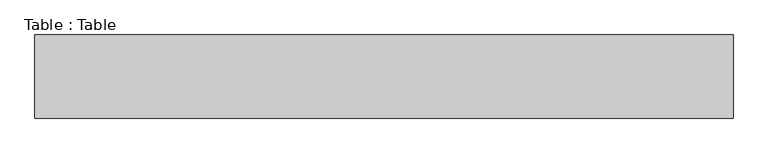
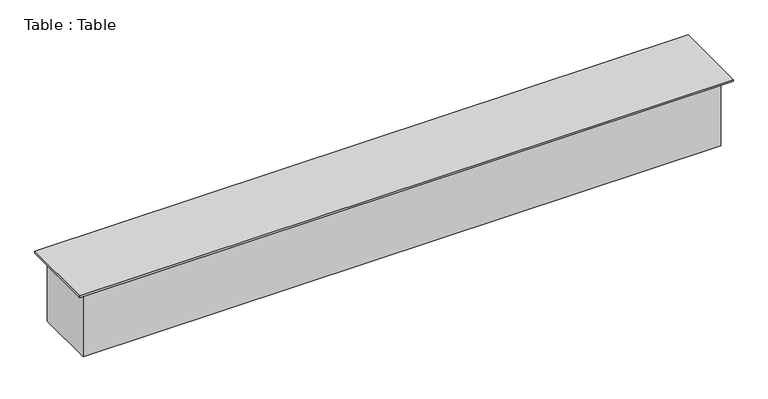
"""IFC4 building model written with IfcOpenShell, lengths in millimetres: furniture geometry, Table : Table."""

from ifc_helpers import new_model, si_unit, frame, origin, origin_with_axes, place, context, project, spatial, polyline, outline, extrude, source, transform, mapped, element, save


def table_table_63eb6d73(model_context):
    return source(origin(), model_context, "Body", "SweptSolid", [
        extrude(outline(polyline([(13132.6286713, 7553.1653043), (4598.2286713, 7553.1653043), (4598.2286713, 8569.1653043), (13132.6286713, 8569.1653043), (13132.6286713, 7553.1653043)])), frame((0.0, 0.0, 914.4), z_axis=(0.0, 0.0, 1.0), x_axis=(1.0, 0.0, 0.0)), (0.0, 0.0, 1.0), 25.4),
        extrude(outline(polyline([(13031.0286713, 7654.7653043), (4699.8286713, 7654.7653043), (4699.8286713, 8467.5653043), (13031.0286713, 8467.5653043), (13031.0286713, 7654.7653043)])), origin_with_axes(), (0.0, 0.0, 1.0), 889.0),
    ])


if __name__ == "__main__":
    model = new_model("IFC4")
    model_context = context("Model", 3, world=origin())
    ifc_project = project(units=[si_unit("LENGTHUNIT", "METRE", prefix="MILLI")], contexts=[model_context])
    site = spatial("IfcSite", under=ifc_project)
    building = spatial("IfcBuilding", under=site)
    placement = place(None, origin())
    table_table_shape = table_table_63eb6d73(model_context)
    element("IfcFurniture", 1, ObjectType="Table : Table", at=placement, inside=building, context=model_context, shape_type="MappedRepresentation", body=[
        mapped(table_table_shape, transform((0.0, 0.0, 0.0), x_axis=(1.0, 0.0, 0.0), y_axis=(0.0, 1.0, 0.0), z_axis=(0.0, 0.0, 1.0))),
    ])
    save(model, "model.ifc")
